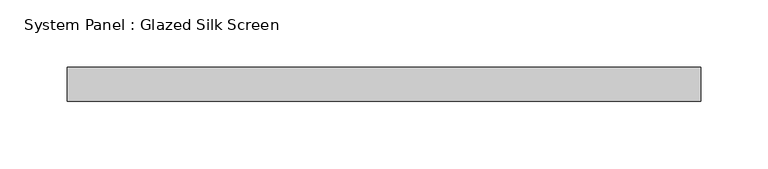
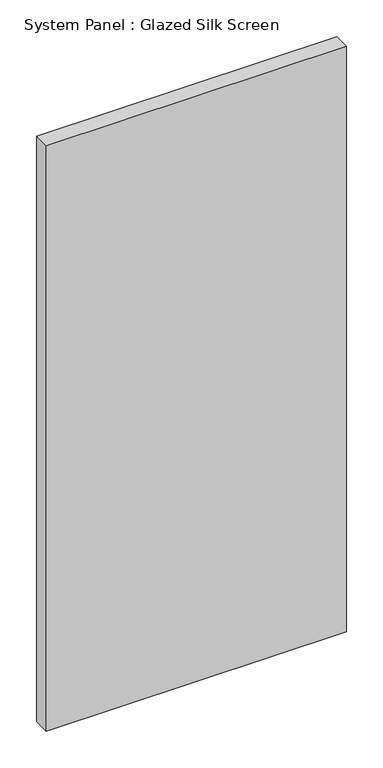
"""IFC4 building model written with IfcOpenShell, lengths in millimetres: plate geometry, System Panel : Glazed Silk Screen."""

from ifc_helpers import new_model, si_unit, origin, origin_with_axes, place, context, project, spatial, polyline, outline, extrude, source, transform, mapped, element, save


def system_panel_glazed_silk_screen_c54d8365(model_context):
    return source(origin(), model_context, "Body", "SweptSolid", [
        extrude(outline(polyline([(235.8353234, 19.05), (-235.8353234, 19.05), (-235.8353234, 44.45), (235.8353234, 44.45), (235.8353234, 19.05)])), origin_with_axes(), (0.0, 0.0, 1.0), 971.55),
    ])


if __name__ == "__main__":
    model = new_model("IFC4")
    model_context = context("Model", 3, world=origin())
    ifc_project = project(units=[si_unit("LENGTHUNIT", "METRE", prefix="MILLI")], contexts=[model_context])
    site = spatial("IfcSite", under=ifc_project)
    building = spatial("IfcBuilding", under=site)
    placement = place(None, origin())
    system_panel_glazed_silk_screen_shape = system_panel_glazed_silk_screen_c54d8365(model_context)
    element("IfcPlate", 1, ObjectType="System Panel : Glazed Silk Screen", at=placement, inside=building, context=model_context, shape_type="MappedRepresentation", body=[
        mapped(system_panel_glazed_silk_screen_shape, transform((0.0, 0.0, 0.0), x_axis=(1.0, 0.0, 0.0), y_axis=(0.0, 1.0, 0.0), z_axis=(0.0, 0.0, 1.0))),
    ])
    save(model, "model.ifc")
